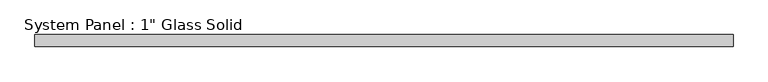
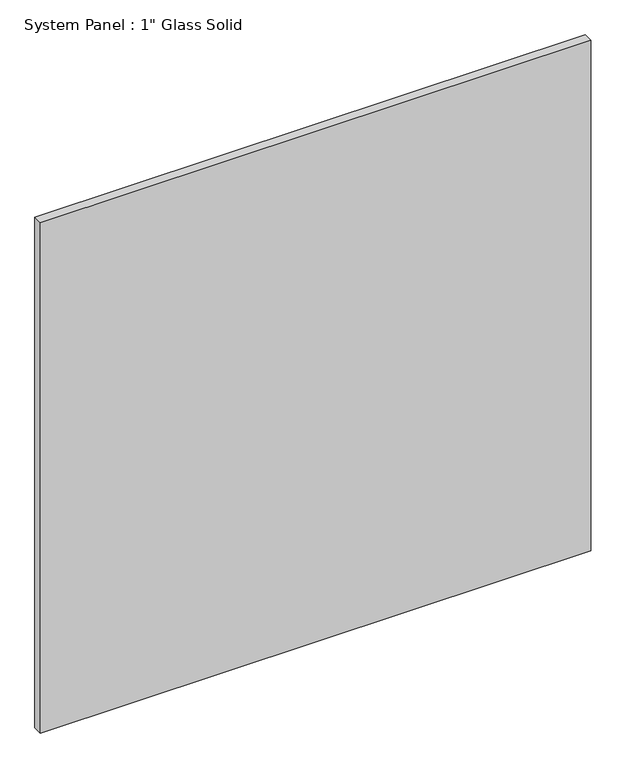
"""IFC4 building model written with IfcOpenShell, lengths in millimetres: plate geometry."""

from ifc_helpers import new_model, si_unit, origin, origin_with_axes, place, context, project, spatial, polyline, outline, extrude, source, transform, mapped, element, save


def plate_e49a7e48(model_context):
    return source(origin(), model_context, "Body", "SweptSolid", [
        extrude(outline(polyline([(734.4842185, -12.7), (-734.4842185, -12.7), (-734.4842185, 12.7), (734.4842185, 12.7), (734.4842185, -12.7)])), origin_with_axes(), (0.0, 0.0, 1.0), 1440.1817704),
    ])


if __name__ == "__main__":
    model = new_model("IFC4")
    model_context = context("Model", 3, world=origin())
    ifc_project = project(units=[si_unit("LENGTHUNIT", "METRE", prefix="MILLI")], contexts=[model_context])
    site = spatial("IfcSite", under=ifc_project)
    building = spatial("IfcBuilding", under=site)
    placement = place(None, origin())
    plate_shape = plate_e49a7e48(model_context)
    element("IfcPlate", 1, ObjectType="System Panel : 1\" Glass Solid", at=placement, inside=building, context=model_context, shape_type="MappedRepresentation", body=[
        mapped(plate_shape, transform((0.0, 0.0, 0.0), x_axis=(1.0, 0.0, 0.0), y_axis=(0.0, 1.0, 0.0), z_axis=(0.0, 0.0, 1.0))),
    ])
    save(model, "model.ifc")
